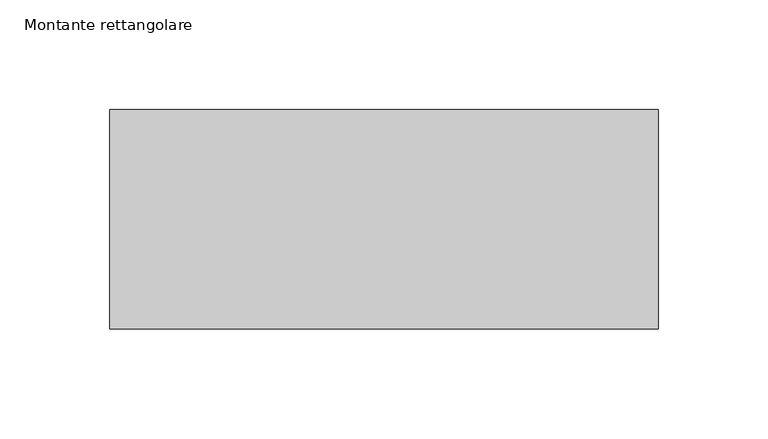
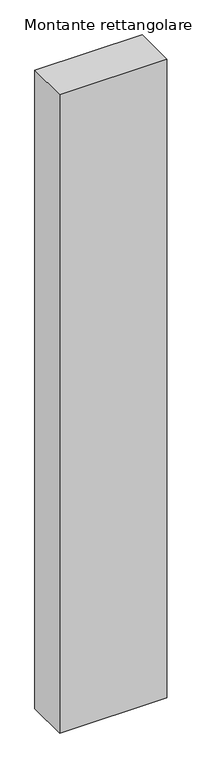
"""IFC4 building model written with IfcOpenShell, lengths in millimetres: member geometry, Montante rettangolare."""

from ifc_helpers import new_model, si_unit, frame, origin, place, context, project, spatial, polyline, outline, extrude, source, transform, mapped, element, save


def montante_rettangolare_534d0f52(model_context):
    return source(origin(), model_context, "Body", "SweptSolid", [
        extrude(outline(polyline([(0.0, 50.0), (0.0, -50.0), (-250.0, -50.0), (-250.0, 50.0), (0.0, 50.0)])), frame((0.0, 0.0, -1574.5764037), z_axis=(0.0, 0.0, 1.0), x_axis=(1.0, 0.0, 0.0)), (0.0, 0.0, 1.0), 1574.5764037),
    ])


if __name__ == "__main__":
    model = new_model("IFC4")
    model_context = context("Model", 3, world=origin())
    ifc_project = project(units=[si_unit("LENGTHUNIT", "METRE", prefix="MILLI")], contexts=[model_context])
    site = spatial("IfcSite", under=ifc_project)
    building = spatial("IfcBuilding", under=site)
    placement = place(None, origin())
    montante_rettangolare_shape = montante_rettangolare_534d0f52(model_context)
    element("IfcMember", 1, ObjectType="Montante rettangolare", at=placement, inside=building, context=model_context, shape_type="MappedRepresentation", body=[
        mapped(montante_rettangolare_shape, transform((0.0, 0.0, 0.0), x_axis=(1.0, 0.0, 0.0), y_axis=(0.0, 1.0, 0.0), z_axis=(0.0, 0.0, 1.0))),
    ])
    save(model, "model.ifc")
